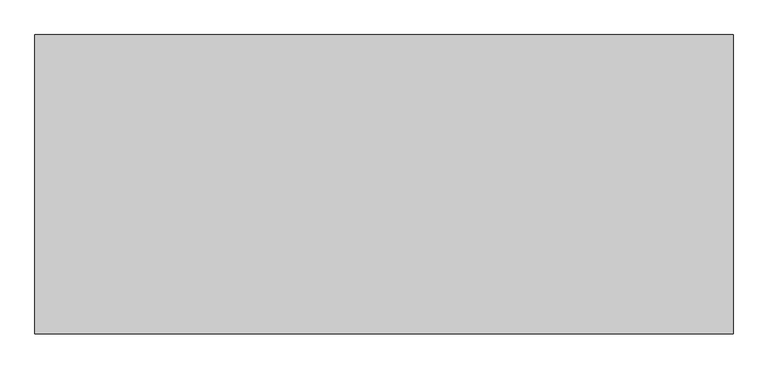
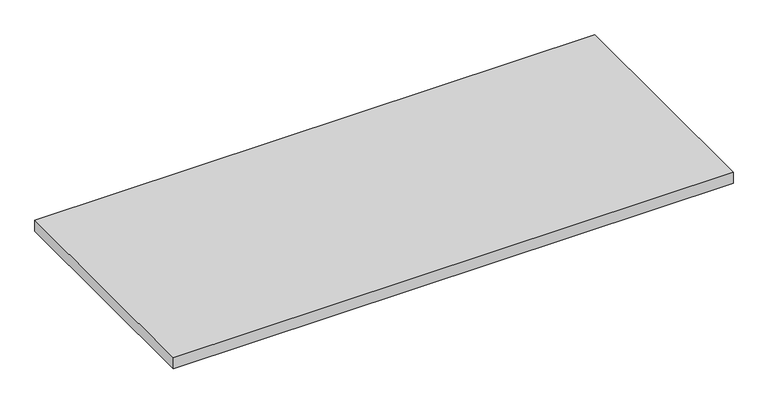
"""IFC4 building model written with IfcOpenShell, lengths in millimetres: furniture geometry."""

from ifc_helpers import new_model, si_unit, frame, origin, place, context, project, spatial, polyline, outline, extrude, source, transform, mapped, element, save


def furniture_a07a4e61(model_context):
    return source(origin(), model_context, "Body", "SweptSolid", [
        extrude(outline(polyline([(6819.9, 597.9973297), (6819.9, -468.8026703), (4330.7, -468.8026703), (4330.7, 597.9973297), (6819.9, 597.9973297)])), frame((0.0, 0.0, 1016.0), z_axis=(0.0, 0.0, 1.0), x_axis=(1.0, 0.0, 0.0)), (0.0, 0.0, 1.0), 50.8),
    ])


if __name__ == "__main__":
    model = new_model("IFC4")
    model_context = context("Model", 3, world=origin())
    ifc_project = project(units=[si_unit("LENGTHUNIT", "METRE", prefix="MILLI")], contexts=[model_context])
    site = spatial("IfcSite", under=ifc_project)
    building = spatial("IfcBuilding", under=site)
    placement = place(None, origin())
    furniture_shape = furniture_a07a4e61(model_context)
    element("IfcFurniture", 1, at=placement, inside=building, context=model_context, shape_type="MappedRepresentation", body=[
        mapped(furniture_shape, transform((0.0, 0.0, 0.0), x_axis=(1.0, 0.0, 0.0), y_axis=(0.0, 1.0, 0.0), z_axis=(0.0, 0.0, 1.0))),
    ])
    save(model, "model.ifc")
